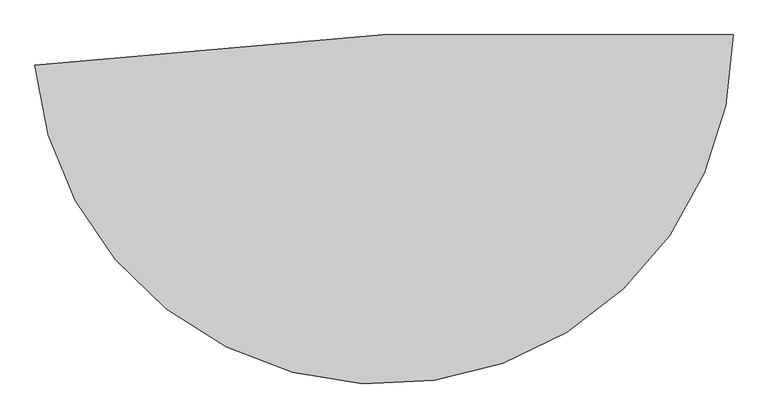
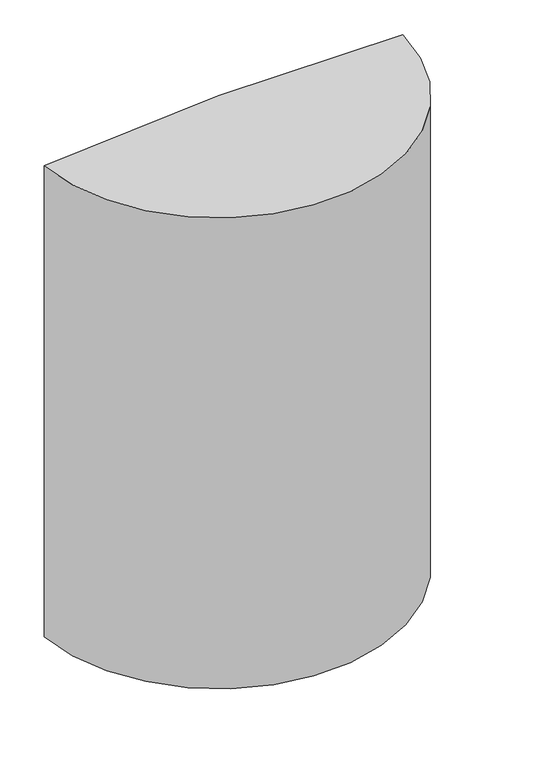
"""IFC4 building model written with IfcOpenShell, lengths in millimetres: proxy geometry."""

from ifc_helpers import new_model, si_unit, point, origin, origin_with_axes, origin_2d, place, context, project, spatial, polyline, circle_curve, trimmed, segment, composite_curve, outline, extrude, source, transform, mapped, element, save


def generic_models_872c0512(model_context):
    return source(origin(), model_context, "Body", "SweptSolid", [
        extrude(outline(composite_curve([segment(polyline([(0.0, 0.0), (886.0, 0.0)]), True, "CONTINUOUS"), segment(trimmed(circle_curve(origin_2d(), 886.0), [point((886.0, 0.0))], [point((-882.6285025, -77.2199881))], False, "CARTESIAN"), True, "CONTINUOUS"), segment(polyline([(-882.6285025, -77.2199881), (0.0, 0.0)]), True, "CONTINUOUS")], self_intersect=False)), origin_with_axes(), (0.0, 0.0, 1.0), 2393.4),
    ])


if __name__ == "__main__":
    model = new_model("IFC4")
    model_context = context("Model", 3, world=origin())
    ifc_project = project(units=[si_unit("LENGTHUNIT", "METRE", prefix="MILLI")], contexts=[model_context])
    site = spatial("IfcSite", under=ifc_project)
    building = spatial("IfcBuilding", under=site)
    placement = place(None, origin())
    generic_models_shape = generic_models_872c0512(model_context)
    element("IfcBuildingElementProxy", 1, Name="Generic Models", at=placement, inside=building, context=model_context, shape_type="MappedRepresentation", body=[
        mapped(generic_models_shape, transform((0.0, 0.0, 0.0), x_axis=(1.0, 0.0, 0.0), y_axis=(0.0, 1.0, 0.0), z_axis=(0.0, 0.0, 1.0))),
    ])
    save(model, "model.ifc")
